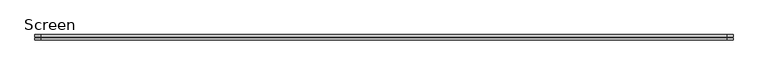
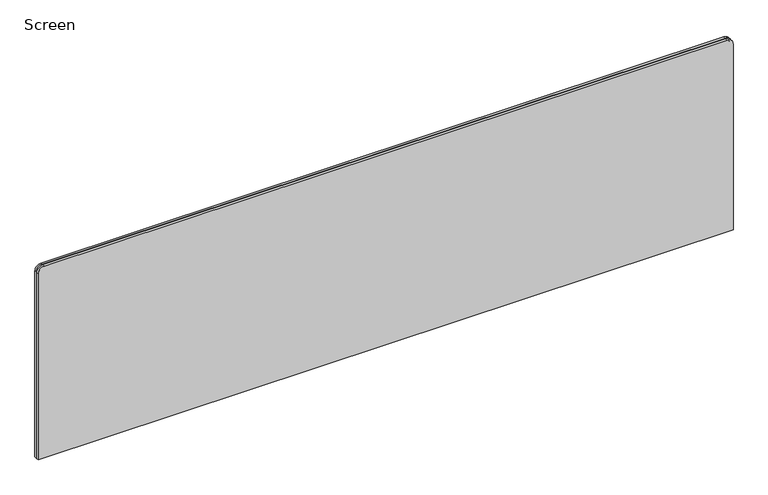
"""IFC4 building model written with IfcOpenShell, lengths in millimetres: furniture geometry, Screen."""

from ifc_helpers import new_model, si_unit, point, frame, frame_2d, origin, place, context, project, spatial, polyline, circle_curve, trimmed, segment, composite_curve, outline, extrude, source, transform, mapped, element, save


def screen_8a2eac82(model_context):
    return source(origin(), model_context, "Body", "SweptSolid", [
        extrude(outline(composite_curve([segment(polyline([(530.225, 1111.25), (530.225, -679.45)]), True, "CONTINUOUS"), segment(trimmed(circle_curve(frame_2d((514.35, -679.45)), 15.875), [point((530.225, -679.45))], [point((514.35, -695.325))], False, "CARTESIAN"), True, "CONTINUOUS"), segment(polyline([(514.35, -695.325), (3.175, -695.325), (3.175, 1127.125), (514.35, 1127.125)]), True, "CONTINUOUS"), segment(trimmed(circle_curve(frame_2d((514.35, 1111.25)), 15.875), [point((514.35, 1127.125))], [point((530.225, 1111.25))], False, "CARTESIAN"), True, "CONTINUOUS")], self_intersect=False)), frame((0.0, -201.3409766, 0.0), z_axis=(0.0, 1.0, 0.0), x_axis=(0.0, 0.0, 1.0)), (0.0, 0.0, 1.0), 3.175),
        extrude(outline(composite_curve([segment(polyline([(533.4, 1114.425), (533.4, -682.625)]), True, "CONTINUOUS"), segment(trimmed(circle_curve(frame_2d((517.525, -682.625)), 15.875), [point((533.4, -682.625))], [point((517.525, -698.5))], False, "CARTESIAN"), True, "CONTINUOUS"), segment(polyline([(517.525, -698.5), (0.0, -698.5), (0.0, 1130.3), (517.525, 1130.3)]), True, "CONTINUOUS"), segment(trimmed(circle_curve(frame_2d((517.525, 1114.425)), 15.875), [point((517.525, 1130.3))], [point((533.4, 1114.425))], False, "CARTESIAN"), True, "CONTINUOUS")], self_intersect=False)), frame((0.0, -198.1659766, 0.0), z_axis=(0.0, 1.0, 0.0), x_axis=(0.0, 0.0, 1.0)), (0.0, 0.0, 1.0), 5.55625),
        extrude(outline(composite_curve([segment(polyline([(533.4, 1114.425), (533.4, -682.625)]), True, "CONTINUOUS"), segment(trimmed(circle_curve(frame_2d((517.525, -682.625)), 15.875), [point((533.4, -682.625))], [point((517.525, -698.5))], False, "CARTESIAN"), True, "CONTINUOUS"), segment(polyline([(517.525, -698.5), (0.0, -698.5), (0.0, 1130.3), (517.525, 1130.3)]), True, "CONTINUOUS"), segment(trimmed(circle_curve(frame_2d((517.525, 1114.425)), 15.875), [point((517.525, 1130.3))], [point((533.4, 1114.425))], False, "CARTESIAN"), True, "CONTINUOUS")], self_intersect=False)), frame((0.0, -206.8972266, 0.0), z_axis=(0.0, 1.0, 0.0), x_axis=(0.0, 0.0, 1.0)), (0.0, 0.0, 1.0), 5.55625),
    ])


if __name__ == "__main__":
    model = new_model("IFC4")
    model_context = context("Model", 3, world=origin())
    ifc_project = project(units=[si_unit("LENGTHUNIT", "METRE", prefix="MILLI")], contexts=[model_context])
    site = spatial("IfcSite", under=ifc_project)
    building = spatial("IfcBuilding", under=site)
    placement = place(None, origin())
    screen_shape = screen_8a2eac82(model_context)
    element("IfcFurniture", 1, ObjectType="Screen", at=placement, inside=building, context=model_context, shape_type="MappedRepresentation", body=[
        mapped(screen_shape, transform((0.0, 0.0, 0.0), x_axis=(1.0, 0.0, 0.0), y_axis=(0.0, 1.0, 0.0), z_axis=(0.0, 0.0, 1.0))),
    ])
    save(model, "model.ifc")
